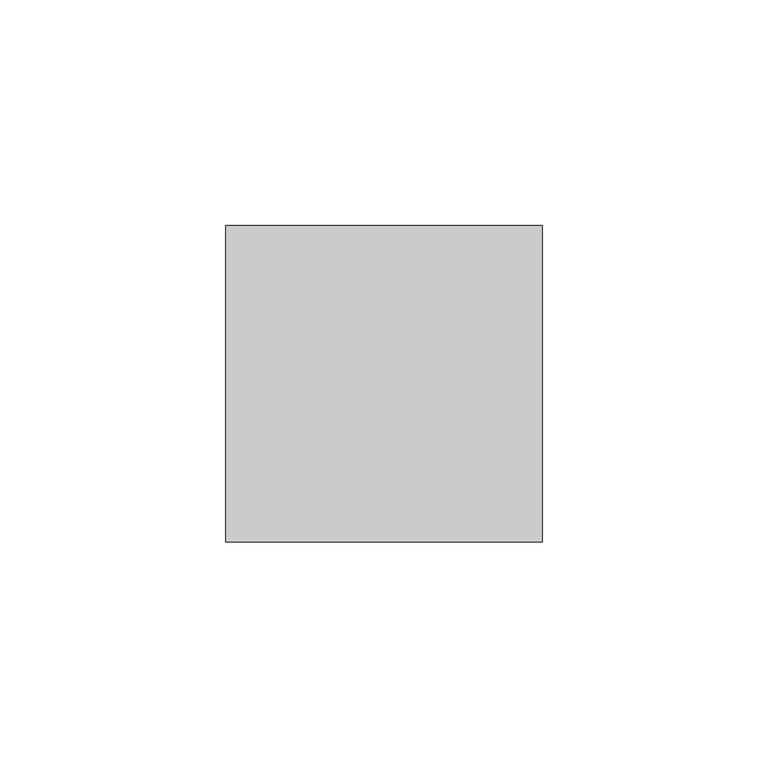
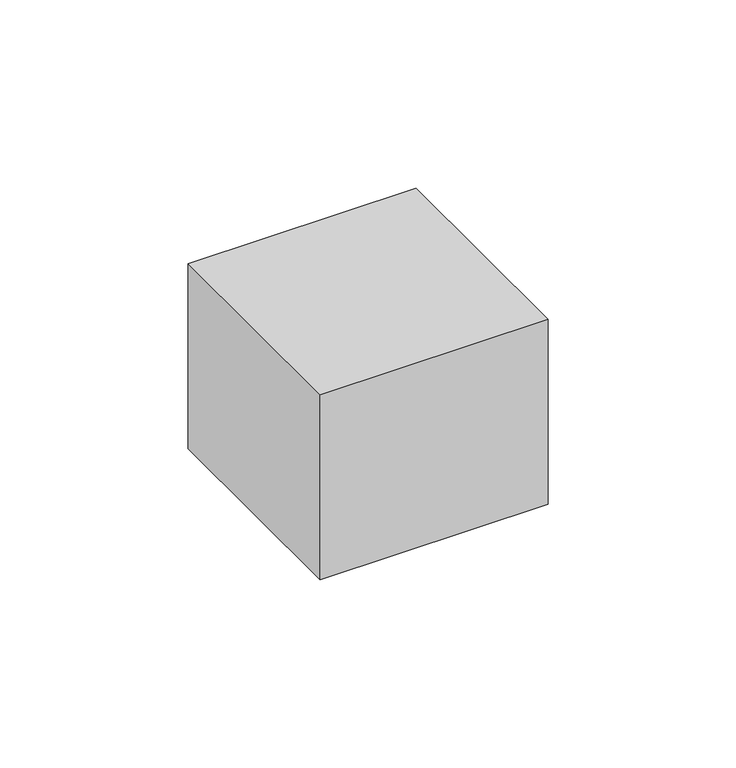
"""IFC4 building model written with IfcOpenShell, lengths in millimetres: proxy geometry."""

from ifc_helpers import new_model, si_unit, origin, origin_with_axes, place, context, project, spatial, polyline, outline, extrude, source, transform, mapped, element, save


def electrical_fixtures_7aad3d2a(model_context):
    return source(origin(), model_context, "Body", "SweptSolid", [
        extrude(outline(polyline([(35.0, -35.0), (-35.0, -35.0), (-35.0, 35.0), (35.0, 35.0), (35.0, -35.0)])), origin_with_axes(), (0.0, 0.0, 1.0), 60.0),
    ])


if __name__ == "__main__":
    model = new_model("IFC4")
    model_context = context("Model", 3, world=origin())
    ifc_project = project(units=[si_unit("LENGTHUNIT", "METRE", prefix="MILLI")], contexts=[model_context])
    site = spatial("IfcSite", under=ifc_project)
    building = spatial("IfcBuilding", under=site)
    placement = place(None, origin())
    electrical_fixtures_shape = electrical_fixtures_7aad3d2a(model_context)
    element("IfcBuildingElementProxy", 1, Name="Electrical Fixtures", at=placement, inside=building, context=model_context, shape_type="MappedRepresentation", body=[
        mapped(electrical_fixtures_shape, transform((0.0, 0.0, 0.0), x_axis=(1.0, 0.0, 0.0), y_axis=(0.0, 1.0, 0.0), z_axis=(0.0, 0.0, 1.0))),
    ])
    save(model, "model.ifc")
